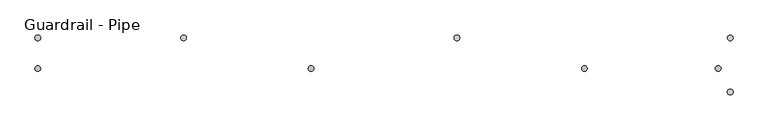
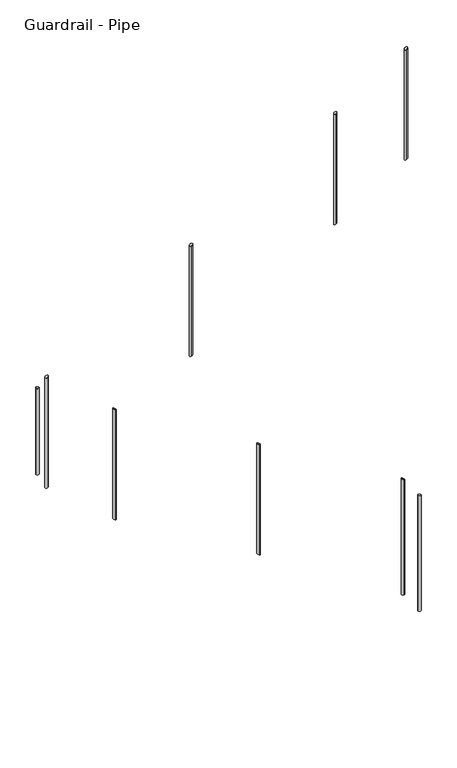
"""IFC4 building model written with IfcOpenShell, lengths in millimetres: railing geometry, Guardrail - Pipe."""

from ifc_helpers import new_model, si_unit, point, frame, frame_2d, origin, origin_with_axes, place, context, project, spatial, circle_curve, ellipse_curve, trimmed, segment, composite_curve, outline, extrude, source, transform, mapped, element, save
from ifc_brep_helpers import plane_surface, cylinder_surface, advanced_brep


def guardrail_pipe_d2838670(model_context):
    return source(origin(), model_context, "Body", "SolidModel", [
        advanced_brep(
        [(-11206.6112561, 2649.7404418, 4608.5596052), (-11206.6112561, 2624.3404418, 4608.5596052), (-11206.6112561, 2624.3404418, 3627.3483236), (-11206.6112561, 2649.7404418, 3627.3483236)],
        [
            (0, 1, ellipse_curve(frame((-11206.6112561, 2637.0404418, 4608.5596052), z_axis=(0.5248480775957488, 0.0, -0.8511959207162867), x_axis=(0.8511959207162868, 0.0, 0.5248480775957486)), 14.9201843, 12.7)),
            (1, 2),
            (2, 3, ellipse_curve(frame((-11206.6112561, 2637.0404418, 3627.3483236), z_axis=(-0.5248480775957495, 0.0, 0.8511959207162862), x_axis=(0.8511959207162862, 0.0, 0.5248480775957493)), 14.9201843, 12.7)),
            (3, 0),
            (3, 2, ellipse_curve(frame((-11206.6112561, 2637.0404418, 3627.3483236), z_axis=(-0.5248480775957495, 0.0, 0.8511959207162862), x_axis=(0.8511959207162862, 0.0, 0.5248480775957493)), 14.9201843, 12.7)),
            (1, 0, ellipse_curve(frame((-11206.6112561, 2637.0404418, 4608.5596052), z_axis=(0.5248480775957488, 0.0, -0.8511959207162867), x_axis=(0.8511959207162868, 0.0, 0.5248480775957486)), 14.9201843, 12.7)),
        ],
        [
            cylinder_surface(frame((-11206.6112561, 2637.0404418, 3398.7483236), z_axis=(0.0, 0.0, 1.0), x_axis=(0.0, -1.0, 0.0)), 12.7),
            plane_surface(frame((-11181.2112561, 2611.6404418, 4624.2212653), z_axis=(-0.5248480775957488, 0.0, 0.8511959207162867), x_axis=(0.0, 1.0, 0.0))),
            plane_surface(frame((-11232.0112561, 2611.6404418, 3611.6866635), z_axis=(0.5248480775957495, 0.0, -0.8511959207162862), x_axis=(0.0, 1.0, 0.0))),
        ],
        [
            (0, [[1, 2, 3, 4]]),
            (0, [[5, -2, 6, -4]]),
            (1, [[-6, -1]]),
            (2, [[-5, -3]]),
        ],
    ),
        advanced_brep(
        [(-12425.8112561, 2649.7404418, 3856.7999215), (-12425.8112561, 2624.3404418, 3856.7999215), (-12425.8112561, 2624.3404418, 2875.5886398), (-12425.8112561, 2649.7404418, 2875.5886398)],
        [
            (0, 1, ellipse_curve(frame((-12425.8112561, 2637.0404418, 3856.7999215), z_axis=(0.5248480775957488, 0.0, -0.8511959207162867), x_axis=(0.8511959207162868, 0.0, 0.5248480775957486)), 14.9201843, 12.7)),
            (1, 2),
            (2, 3, ellipse_curve(frame((-12425.8112561, 2637.0404418, 2875.5886398), z_axis=(-0.5248480775957495, 0.0, 0.8511959207162862), x_axis=(0.8511959207162862, 0.0, 0.5248480775957493)), 14.9201843, 12.7)),
            (3, 0),
            (3, 2, ellipse_curve(frame((-12425.8112561, 2637.0404418, 2875.5886398), z_axis=(-0.5248480775957495, 0.0, 0.8511959207162862), x_axis=(0.8511959207162862, 0.0, 0.5248480775957493)), 14.9201843, 12.7)),
            (1, 0, ellipse_curve(frame((-12425.8112561, 2637.0404418, 3856.7999215), z_axis=(0.5248480775957488, 0.0, -0.8511959207162867), x_axis=(0.8511959207162868, 0.0, 0.5248480775957486)), 14.9201843, 12.7)),
        ],
        [
            cylinder_surface(frame((-12425.8112561, 2637.0404418, 2646.9886398), z_axis=(0.0, 0.0, 1.0), x_axis=(0.0, -1.0, 0.0)), 12.7),
            plane_surface(frame((-12400.4112561, 2611.6404418, 3872.4615815), z_axis=(-0.5248480775957488, 0.0, 0.8511959207162867), x_axis=(0.0, 1.0, 0.0))),
            plane_surface(frame((-12451.2112561, 2611.6404418, 2859.9269797), z_axis=(0.5248480775957495, 0.0, -0.8511959207162862), x_axis=(0.0, 1.0, 0.0))),
        ],
        [
            (0, [[1, 2, 3, 4]]),
            (0, [[5, -2, 6, -4]]),
            (1, [[-6, -1]]),
            (2, [[-5, -3]]),
        ],
    ),
        advanced_brep(
        [(-12994.2564309, 2761.5151259, 2507.0936444), (-12994.2564309, 2786.9151259, 2507.0936444), (-12994.2564309, 2786.9151259, 1524.7501256), (-12994.2564309, 2761.5151259, 1524.7501256)],
        [
            (0, 1, ellipse_curve(frame((-12994.2564309, 2774.2151259, 2507.0936444), z_axis=(-0.5186838304271236, 0.0, -0.8549661303545578), x_axis=(-0.8549661303545579, 0.0, 0.5186838304271237)), 14.8543896, 12.7)),
            (1, 2),
            (2, 3, ellipse_curve(frame((-12994.2564309, 2774.2151259, 1524.7501256), z_axis=(0.5186838304271262, 0.0, 0.8549661303545565), x_axis=(-0.8549661303545566, 0.0, 0.5186838304271258)), 14.8543896, 12.7)),
            (3, 0),
            (3, 2, ellipse_curve(frame((-12994.2564309, 2774.2151259, 1524.7501256), z_axis=(0.5186838304271262, 0.0, 0.8549661303545565), x_axis=(-0.8549661303545566, 0.0, 0.5186838304271258)), 14.8543896, 12.7)),
            (1, 0, ellipse_curve(frame((-12994.2564309, 2774.2151259, 2507.0936444), z_axis=(-0.5186838304271236, 0.0, -0.8549661303545578), x_axis=(-0.8549661303545579, 0.0, 0.5186838304271237)), 14.8543896, 12.7)),
        ],
        [
            cylinder_surface(frame((-12994.2564309, 2774.2151259, 1296.1501256), z_axis=(0.0, 0.0, 1.0), x_axis=(0.0, 1.0, 0.0)), 12.7),
            plane_surface(frame((-13019.6564309, 2799.6151259, 2522.5031078), z_axis=(0.5186838304271236, 0.0, 0.8549661303545578), x_axis=(0.0, -1.0, 0.0))),
            plane_surface(frame((-12968.8564309, 2799.6151259, 1509.3406622), z_axis=(-0.5186838304271262, 0.0, -0.8549661303545565), x_axis=(0.0, -1.0, 0.0))),
        ],
        [
            (0, [[1, 2, 3, 4]]),
            (0, [[5, -2, 6, -4]]),
            (1, [[-6, -1]]),
            (2, [[-5, -3]]),
        ],
    ),
        advanced_brep(
        [(-11775.0564309, 2761.5151259, 1767.4394013), (-11775.0564309, 2786.9151259, 1767.4394013), (-11775.0564309, 2786.9151259, 785.0958825), (-11775.0564309, 2761.5151259, 785.0958825)],
        [
            (0, 1, ellipse_curve(frame((-11775.0564309, 2774.2151259, 1767.4394013), z_axis=(-0.5186838304271236, 0.0, -0.8549661303545578), x_axis=(-0.8549661303545579, 0.0, 0.5186838304271237)), 14.8543896, 12.7)),
            (1, 2),
            (2, 3, ellipse_curve(frame((-11775.0564309, 2774.2151259, 785.0958825), z_axis=(0.5186838304271262, 0.0, 0.8549661303545565), x_axis=(-0.8549661303545566, 0.0, 0.5186838304271258)), 14.8543896, 12.7)),
            (3, 0),
            (3, 2, ellipse_curve(frame((-11775.0564309, 2774.2151259, 785.0958825), z_axis=(0.5186838304271262, 0.0, 0.8549661303545565), x_axis=(-0.8549661303545566, 0.0, 0.5186838304271258)), 14.8543896, 12.7)),
            (1, 0, ellipse_curve(frame((-11775.0564309, 2774.2151259, 1767.4394013), z_axis=(-0.5186838304271236, 0.0, -0.8549661303545578), x_axis=(-0.8549661303545579, 0.0, 0.5186838304271237)), 14.8543896, 12.7)),
        ],
        [
            cylinder_surface(frame((-11775.0564309, 2774.2151259, 556.4958825), z_axis=(0.0, 0.0, 1.0), x_axis=(0.0, 1.0, 0.0)), 12.7),
            plane_surface(frame((-11800.4564309, 2799.6151259, 1782.8488647), z_axis=(0.5186838304271236, 0.0, 0.8549661303545578), x_axis=(0.0, -1.0, 0.0))),
            plane_surface(frame((-11749.6564309, 2799.6151259, 769.6864191), z_axis=(-0.5186838304271262, 0.0, -0.8549661303545565), x_axis=(0.0, -1.0, 0.0))),
        ],
        [
            (0, [[1, 2, 3, 4]]),
            (0, [[5, -2, 6, -4]]),
            (1, [[-6, -1]]),
            (2, [[-5, -3]]),
        ],
    ),
        advanced_brep(
        [(-13645.0112561, 2649.7404418, 3105.0402377), (-13645.0112561, 2624.3404418, 3105.0402377), (-13645.0112561, 2624.3404418, 2123.828956), (-13645.0112561, 2649.7404418, 2123.828956)],
        [
            (0, 1, ellipse_curve(frame((-13645.0112561, 2637.0404418, 3105.0402377), z_axis=(0.5248480775957488, 0.0, -0.8511959207162867), x_axis=(0.8511959207162868, 0.0, 0.5248480775957486)), 14.9201843, 12.7)),
            (1, 2),
            (2, 3, ellipse_curve(frame((-13645.0112561, 2637.0404418, 2123.828956), z_axis=(-0.5248480775957495, 0.0, 0.8511959207162862), x_axis=(0.8511959207162862, 0.0, 0.5248480775957493)), 14.9201843, 12.7)),
            (3, 0),
            (3, 2, ellipse_curve(frame((-13645.0112561, 2637.0404418, 2123.828956), z_axis=(-0.5248480775957495, 0.0, 0.8511959207162862), x_axis=(0.8511959207162862, 0.0, 0.5248480775957493)), 14.9201843, 12.7)),
            (1, 0, ellipse_curve(frame((-13645.0112561, 2637.0404418, 3105.0402377), z_axis=(0.5248480775957488, 0.0, -0.8511959207162867), x_axis=(0.8511959207162868, 0.0, 0.5248480775957486)), 14.9201843, 12.7)),
        ],
        [
            cylinder_surface(frame((-13645.0112561, 2637.0404418, 1895.228956), z_axis=(0.0, 0.0, 1.0), x_axis=(0.0, -1.0, 0.0)), 12.7),
            plane_surface(frame((-13619.6112561, 2611.6404418, 3120.7018977), z_axis=(-0.5248480775957488, 0.0, 0.8511959207162867), x_axis=(0.0, 1.0, 0.0))),
            plane_surface(frame((-13670.4112561, 2611.6404418, 2108.1672959), z_axis=(0.5248480775957495, 0.0, -0.8511959207162862), x_axis=(0.0, 1.0, 0.0))),
        ],
        [
            (0, [[1, 2, 3, 4]]),
            (0, [[5, -2, 6, -4]]),
            (1, [[-6, -1]]),
            (2, [[-5, -3]]),
        ],
    ),
        extrude(outline(composite_curve([segment(trimmed(circle_curve(frame_2d((-13645.0112561, 2774.2151259)), 12.7), [point((-13657.7112561, 2774.2151259))], [point((-13632.3112561, 2774.2151259))], False, "CARTESIAN"), True, "CONTINUOUS"), segment(trimmed(circle_curve(frame_2d((-13645.0112561, 2774.2151259)), 12.7), [point((-13632.3112561, 2774.2151259))], [point((-13657.7112561, 2774.2151259))], False, "CARTESIAN"), True, "CONTINUOUS")], self_intersect=False)), frame((0.0, 0.0, 2155.0353726), z_axis=(0.0, 0.0, 1.0), x_axis=(1.0, 0.0, 0.0)), (0.0, 0.0, 1.0), 768.7254969),
        advanced_brep(
        [(-10555.8564309, 2761.5151259, 1027.7851581), (-10555.8564309, 2786.9151259, 1027.7851581), (-10555.8564309, 2786.9151259, 0.0), (-10555.8564309, 2761.5151259, 0.0)],
        [
            (0, 1, ellipse_curve(frame((-10555.8564309, 2774.2151259, 1027.7851581), z_axis=(-0.5186838304271236, 0.0, -0.8549661303545578), x_axis=(-0.8549661303545579, 0.0, 0.5186838304271237)), 14.8543896, 12.7)),
            (1, 2),
            (2, 3, circle_curve(frame((-10555.8564309, 2774.2151259, 0.0), z_axis=(0.0, 0.0, 1.0), x_axis=(0.0, 1.0, 0.0)), 12.7)),
            (3, 0),
            (3, 2, circle_curve(frame((-10555.8564309, 2774.2151259, 0.0), z_axis=(0.0, 0.0, 1.0), x_axis=(0.0, 1.0, 0.0)), 12.7)),
            (1, 0, ellipse_curve(frame((-10555.8564309, 2774.2151259, 1027.7851581), z_axis=(-0.5186838304271236, 0.0, -0.8549661303545578), x_axis=(-0.8549661303545579, 0.0, 0.5186838304271237)), 14.8543896, 12.7)),
        ],
        [
            cylinder_surface(frame((-10555.8564309, 2774.2151259, -228.6), z_axis=(0.0, 0.0, 1.0), x_axis=(0.0, 1.0, 0.0)), 12.7),
            plane_surface(frame((-10581.2564309, 2799.6151259, 1043.1946215), z_axis=(0.5186838304271236, 0.0, 0.8549661303545578), x_axis=(0.0, -1.0, 0.0))),
            plane_surface(frame((-10530.4564309, 2799.6151259, 0.0), z_axis=(0.0, 0.0, -1.0), x_axis=(0.0, -1.0, 0.0))),
        ],
        [
            (0, [[1, 2, 3, 4]]),
            (0, [[5, -2, 6, -4]]),
            (1, [[-6, -1]]),
            (2, [[-5, -3]]),
        ],
    ),
        advanced_brep(
        [(-10609.7112561, 2649.7404418, 4976.6086171), (-10609.7112561, 2624.3404418, 4976.6086171), (-10609.7112561, 2624.3404418, 3995.3973354), (-10609.7112561, 2649.7404418, 3995.3973354)],
        [
            (0, 1, ellipse_curve(frame((-10609.7112561, 2637.0404418, 4976.6086171), z_axis=(0.5248480775957488, 0.0, -0.8511959207162867), x_axis=(0.8511959207162868, 0.0, 0.5248480775957486)), 14.9201843, 12.7)),
            (1, 2),
            (2, 3, ellipse_curve(frame((-10609.7112561, 2637.0404418, 3995.3973354), z_axis=(-0.5248480775957495, 0.0, 0.8511959207162862), x_axis=(0.8511959207162862, 0.0, 0.5248480775957493)), 14.9201843, 12.7)),
            (3, 0),
            (3, 2, ellipse_curve(frame((-10609.7112561, 2637.0404418, 3995.3973354), z_axis=(-0.5248480775957495, 0.0, 0.8511959207162862), x_axis=(0.8511959207162862, 0.0, 0.5248480775957493)), 14.9201843, 12.7)),
            (1, 0, ellipse_curve(frame((-10609.7112561, 2637.0404418, 4976.6086171), z_axis=(0.5248480775957488, 0.0, -0.8511959207162867), x_axis=(0.8511959207162868, 0.0, 0.5248480775957486)), 14.9201843, 12.7)),
        ],
        [
            cylinder_surface(frame((-10609.7112561, 2637.0404418, 3766.7973354), z_axis=(0.0, 0.0, 1.0), x_axis=(0.0, -1.0, 0.0)), 12.7),
            plane_surface(frame((-10584.3112561, 2611.6404418, 4992.2702772), z_axis=(-0.5248480775957488, 0.0, 0.8511959207162867), x_axis=(0.0, 1.0, 0.0))),
            plane_surface(frame((-10635.1112561, 2611.6404418, 3979.7356753), z_axis=(0.5248480775957495, 0.0, -0.8511959207162862), x_axis=(0.0, 1.0, 0.0))),
        ],
        [
            (0, [[1, 2, 3, 4]]),
            (0, [[5, -2, 6, -4]]),
            (1, [[-6, -1]]),
            (2, [[-5, -3]]),
        ],
    ),
        extrude(outline(composite_curve([segment(trimmed(circle_curve(frame_2d((-10555.8564309, 2532.9151259)), 12.7), [point((-10543.1564309, 2532.9151259))], [point((-10568.5564309, 2532.9151259))], False, "CARTESIAN"), True, "CONTINUOUS"), segment(trimmed(circle_curve(frame_2d((-10555.8564309, 2532.9151259)), 12.7), [point((-10568.5564309, 2532.9151259))], [point((-10543.1564309, 2532.9151259))], False, "CARTESIAN"), True, "CONTINUOUS")], self_intersect=False)), origin_with_axes(), (0.0, 0.0, 1.0), 1028.7),
    ])


if __name__ == "__main__":
    model = new_model("IFC4")
    model_context = context("Model", 3, world=origin())
    ifc_project = project(units=[si_unit("LENGTHUNIT", "METRE", prefix="MILLI")], contexts=[model_context])
    site = spatial("IfcSite", under=ifc_project)
    building = spatial("IfcBuilding", under=site)
    placement = place(None, origin())
    guardrail_pipe_shape = guardrail_pipe_d2838670(model_context)
    element("IfcRailing", 1, ObjectType="Guardrail - Pipe", at=placement, inside=building, context=model_context, shape_type="MappedRepresentation", body=[
        mapped(guardrail_pipe_shape, transform((0.0, 0.0, 0.0), x_axis=(1.0, 0.0, 0.0), y_axis=(0.0, 1.0, 0.0), z_axis=(0.0, 0.0, 1.0))),
    ])
    save(model, "model.ifc")
